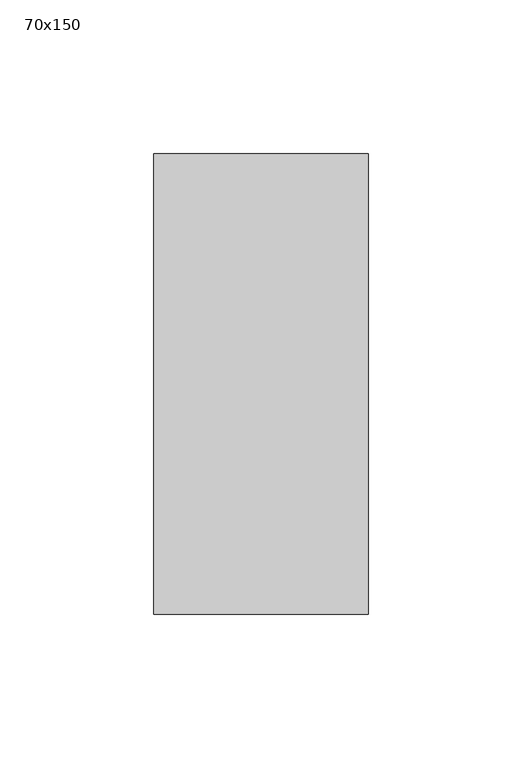
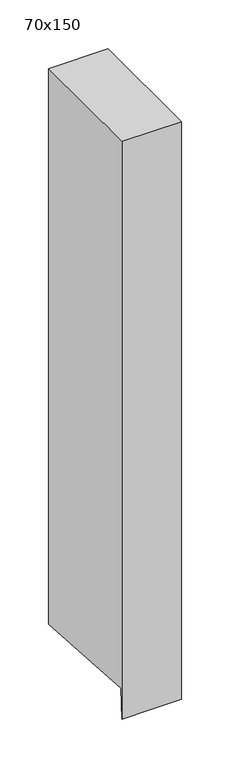
"""IFC4 building model written with IfcOpenShell, lengths in millimetres: member geometry, 70x150."""

from ifc_helpers import new_model, si_unit, origin, place, context, project, spatial, faceted_brep, source, transform, mapped, element, save


def member_70x150_57855d24(model_context):
    return source(origin(), model_context, "Body", "Brep", [
        faceted_brep([(35.0, 75.0, 0.0), (-35.0, 75.0, 0.0), (-35.0, -75.0, 0.0), (35.0, -75.0, 0.0), (35.0, 75.0, -693.5137706), (0.0, 75.0, -693.5137706), (-35.0, 75.0, -693.5137706), (-35.0, -72.5739814, -683.929387), (-35.0, -75.0, -721.2836128), (0.0, -75.0, -721.2836128), (35.0, -75.0, -721.2836128), (35.0, -72.5739814, -683.929387), (0.0, -72.5739814, -683.929387)], [[[0, 1, 2, 3]], [[1, 0, 4, 5, 6]], [[2, 1, 6, 7, 8]], [[3, 2, 8, 9, 10]], [[0, 3, 10, 11, 4]], [[4, 11, 12, 5]], [[11, 10, 9, 12]], [[9, 8, 7, 12]], [[7, 6, 5, 12]]]),
    ])


if __name__ == "__main__":
    model = new_model("IFC4")
    model_context = context("Model", 3, world=origin())
    ifc_project = project(units=[si_unit("LENGTHUNIT", "METRE", prefix="MILLI")], contexts=[model_context])
    site = spatial("IfcSite", under=ifc_project)
    building = spatial("IfcBuilding", under=site)
    placement = place(None, origin())
    member_70x150_shape = member_70x150_57855d24(model_context)
    element("IfcMember", 1, ObjectType="70x150", at=placement, inside=building, context=model_context, shape_type="MappedRepresentation", body=[
        mapped(member_70x150_shape, transform((0.0, 0.0, 0.0), x_axis=(1.0, 0.0, 0.0), y_axis=(0.0, 1.0, 0.0), z_axis=(0.0, 0.0, 1.0))),
    ])
    save(model, "model.ifc")
